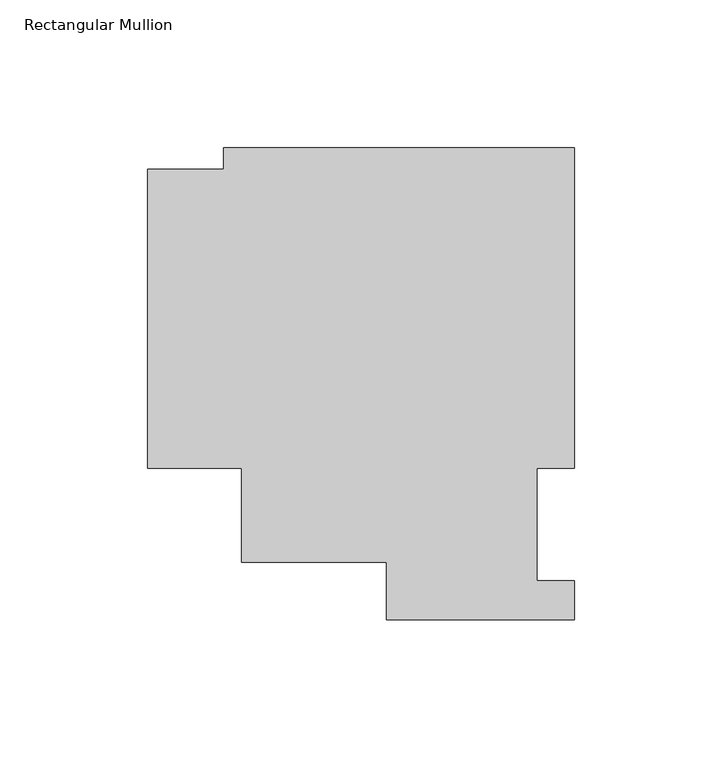
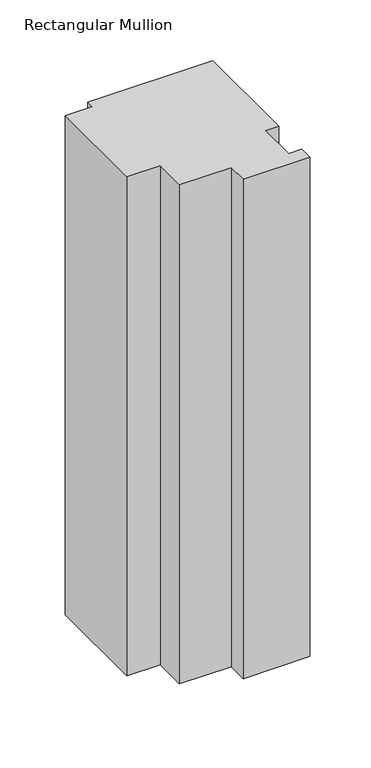
"""IFC4 building model written with IfcOpenShell, lengths in millimetres: member geometry, Rectangular Mullion."""

from ifc_helpers import new_model, si_unit, frame, origin, place, context, project, spatial, polyline, outline, extrude, source, transform, mapped, element, save


def rectangular_mullion_7a6d26b5(model_context):
    return source(origin(), model_context, "Body", "SweptSolid", [
        extrude(outline(polyline([(-118.6168161, 159.7386332), (0.0127068, 159.7386332), (0.0127068, 51.2960937), (-12.6872932, 51.2960938), (-12.6872932, 13.1960937), (5.7e-06, 13.1960937), (5.7e-06, 0.0134827), (-63.4999943, 0.0134827), (-63.4999943, 19.5430505), (-112.6349142, 19.5430505), (-112.6349142, 51.2930505), (-144.3849142, 51.2930505), (-144.3849142, 152.486655), (-118.6168161, 152.486655), (-118.6168161, 159.7386332)])), frame((0.0, 0.0, -501.6500002), z_axis=(0.0, 0.0, 1.0), x_axis=(1.0, 0.0, 0.0)), (0.0, 0.0, 1.0), 501.6500002),
    ])


if __name__ == "__main__":
    model = new_model("IFC4")
    model_context = context("Model", 3, world=origin())
    ifc_project = project(units=[si_unit("LENGTHUNIT", "METRE", prefix="MILLI")], contexts=[model_context])
    site = spatial("IfcSite", under=ifc_project)
    building = spatial("IfcBuilding", under=site)
    placement = place(None, origin())
    rectangular_mullion_shape = rectangular_mullion_7a6d26b5(model_context)
    element("IfcMember", 1, ObjectType="Rectangular Mullion", at=placement, inside=building, context=model_context, shape_type="MappedRepresentation", body=[
        mapped(rectangular_mullion_shape, transform((0.0, 0.0, 0.0), x_axis=(1.0, 0.0, 0.0), y_axis=(0.0, 1.0, 0.0), z_axis=(0.0, 0.0, 1.0))),
    ])
    save(model, "model.ifc")
